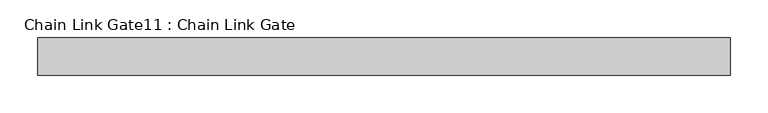
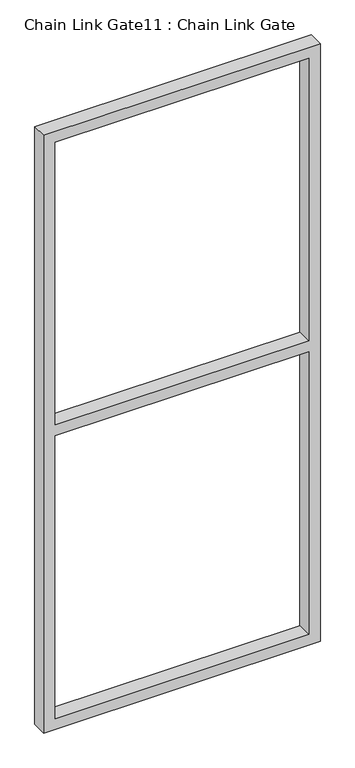
"""IFC4 building model written with IfcOpenShell, lengths in millimetres: proxy geometry, Chain Link Gate11 : Chain Link Gate."""

from ifc_helpers import new_model, si_unit, frame, origin, place, context, project, spatial, polyline, outline, extrude, source, transform, mapped, element, save


def chain_link_gate11_chain_link_gate_fa797c41(model_context):
    return source(origin(), model_context, "Body", "SweptSolid", [
        extrude(outline(polyline([(2120.9, -16958.0493371), (2120.9, -17881.9743371), (12.7, -17881.9743371), (12.7, -16958.0493371), (2120.9, -16958.0493371)]), holes=[polyline([(2082.8, -16996.1493371), (1085.85, -16996.1493371), (1085.85, -17843.8743371), (2082.8, -17843.8743371), (2082.8, -16996.1493371)]), polyline([(1047.75, -17843.8743371), (1047.75, -16996.1493371), (50.8, -16996.1493371), (50.8, -17843.8743371), (1047.75, -17843.8743371)])]), frame((0.0, -3998.1978765, 0.0), z_axis=(0.0, 1.0, 0.0), x_axis=(0.0, 0.0, 1.0)), (0.0, 0.0, 1.0), 50.1314753),
    ])


if __name__ == "__main__":
    model = new_model("IFC4")
    model_context = context("Model", 3, world=origin())
    ifc_project = project(units=[si_unit("LENGTHUNIT", "METRE", prefix="MILLI")], contexts=[model_context])
    site = spatial("IfcSite", under=ifc_project)
    building = spatial("IfcBuilding", under=site)
    placement = place(None, origin())
    chain_link_gate11_chain_link_gate_shape = chain_link_gate11_chain_link_gate_fa797c41(model_context)
    element("IfcBuildingElementProxy", 1, Name="Chain Link Gate11 : Chain Link Gate", ObjectType="Chain Link Gate11 : Chain Link Gate", at=placement, inside=building, context=model_context, shape_type="MappedRepresentation", body=[
        mapped(chain_link_gate11_chain_link_gate_shape, transform((0.0, 0.0, 0.0), x_axis=(1.0, 0.0, 0.0), y_axis=(0.0, 1.0, 0.0), z_axis=(0.0, 0.0, 1.0))),
    ])
    save(model, "model.ifc")
